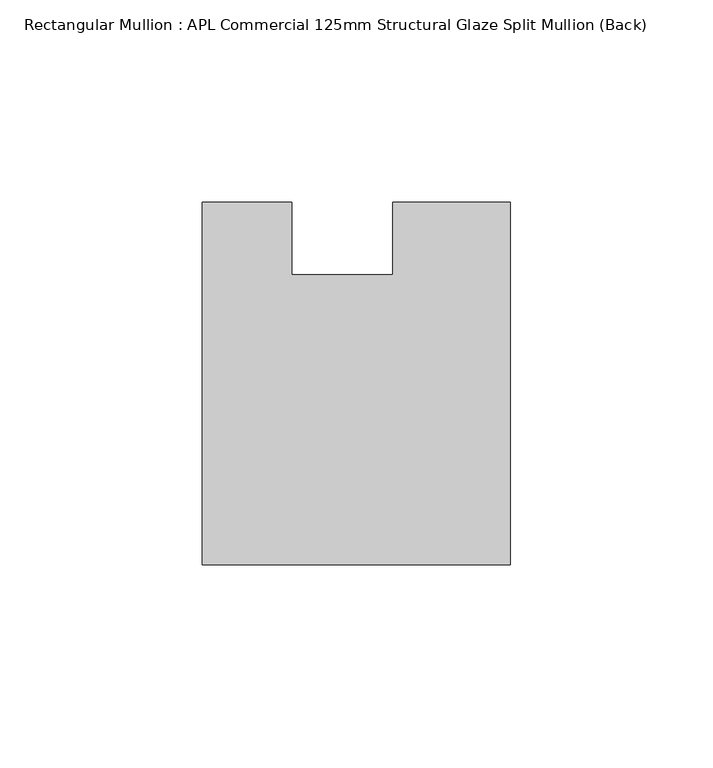
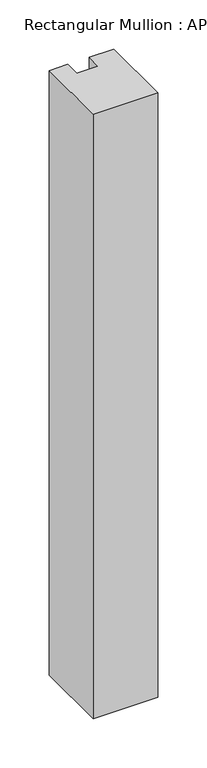
"""IFC4 building model written with IfcOpenShell, lengths in millimetres: member geometry, Rectangular Mullion : APL Commercial 125mm Structural Glaze Split Mullion (Back)."""

from ifc_helpers import new_model, si_unit, frame, origin, place, context, project, spatial, polyline, outline, extrude, source, transform, mapped, element, save


def rectangular_mullion_apl_commercial_125mm_structural_glaze_be5e1f87(model_context):
    return source(origin(), model_context, "Body", "SweptSolid", [
        extrude(outline(polyline([(37.9999914, -104.4960123), (-37.9999896, -104.4960123), (-37.9999896, -14.9960123), (-16.0, -14.9960123), (-16.0, -32.7960123), (9.0, -32.7960123), (9.0, -14.9960123), (37.9999914, -14.9960123), (37.9999914, -104.4960123)])), frame((0.0, 0.0, -751.0229426), z_axis=(0.0, 0.0, 1.0), x_axis=(1.0, 0.0, 0.0)), (0.0, 0.0, 1.0), 751.0229426),
    ])


if __name__ == "__main__":
    model = new_model("IFC4")
    model_context = context("Model", 3, world=origin())
    ifc_project = project(units=[si_unit("LENGTHUNIT", "METRE", prefix="MILLI")], contexts=[model_context])
    site = spatial("IfcSite", under=ifc_project)
    building = spatial("IfcBuilding", under=site)
    placement = place(None, origin())
    rectangular_mullion_apl_commercial_125mm_structural_glaze_shape = rectangular_mullion_apl_commercial_125mm_structural_glaze_be5e1f87(model_context)
    element("IfcMember", 1, ObjectType="Rectangular Mullion : APL Commercial 125mm Structural Glaze Split Mullion (Back)", at=placement, inside=building, context=model_context, shape_type="MappedRepresentation", body=[
        mapped(rectangular_mullion_apl_commercial_125mm_structural_glaze_shape, transform((0.0, 0.0, 0.0), x_axis=(1.0, 0.0, 0.0), y_axis=(0.0, 1.0, 0.0), z_axis=(0.0, 0.0, 1.0))),
    ])
    save(model, "model.ifc")
